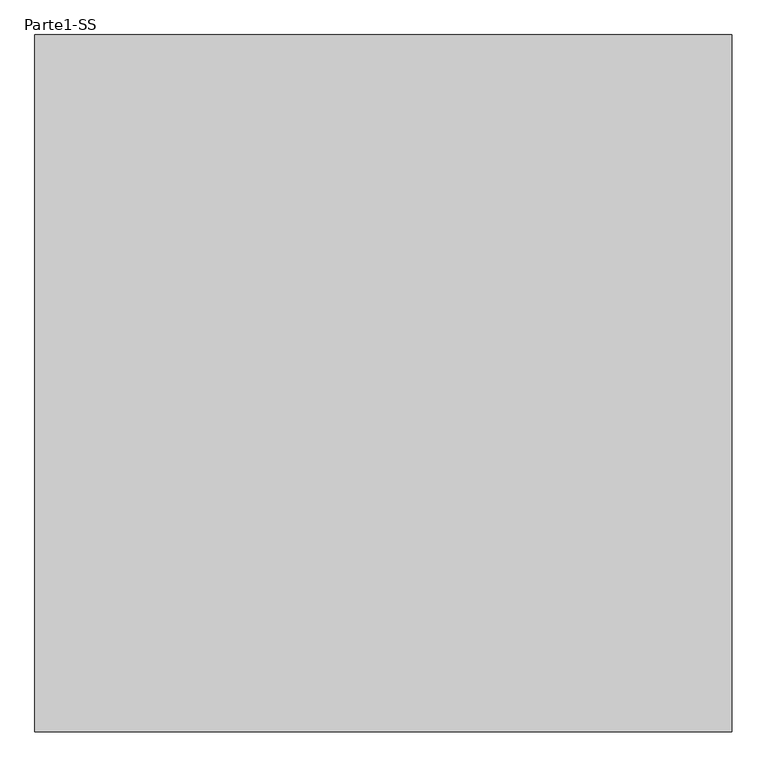
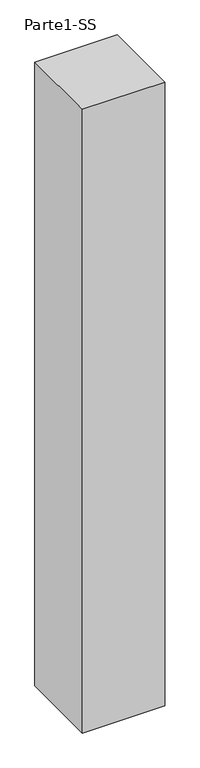
"""IFC4 building model written with IfcOpenShell, lengths in millimetres: proxy geometry, Parte1-SS."""

from ifc_helpers import new_model, si_unit, frame, origin, place, context, project, spatial, polyline, outline, extrude, source, transform, mapped, element, save


def parte1_ss_53b2ac97(model_context):
    return source(origin(), model_context, "Body", "SweptSolid", [
        extrude(outline(polyline([(10000.0, 10000.0), (10000.0, 0.0), (0.0, 0.0), (0.0, 10000.0), (10000.0, 10000.0)])), frame((0.0, 0.0, 10000.0), z_axis=(0.0, 0.0, 1.0), x_axis=(1.0, 0.0, 0.0)), (0.0, 0.0, 1.0), 80000.0),
    ])


if __name__ == "__main__":
    model = new_model("IFC4")
    model_context = context("Model", 3, world=origin())
    ifc_project = project(units=[si_unit("LENGTHUNIT", "METRE", prefix="MILLI")], contexts=[model_context])
    site = spatial("IfcSite", under=ifc_project)
    building = spatial("IfcBuilding", under=site)
    placement = place(None, origin())
    parte1_ss_shape = parte1_ss_53b2ac97(model_context)
    element("IfcBuildingElementProxy", 1, Name="Parte1-SS", ObjectType="Parte1-SS", at=placement, inside=building, context=model_context, shape_type="MappedRepresentation", body=[
        mapped(parte1_ss_shape, transform((0.0, 0.0, 0.0), x_axis=(1.0, 0.0, 0.0), y_axis=(0.0, 1.0, 0.0), z_axis=(0.0, 0.0, 1.0))),
    ])
    save(model, "model.ifc")
